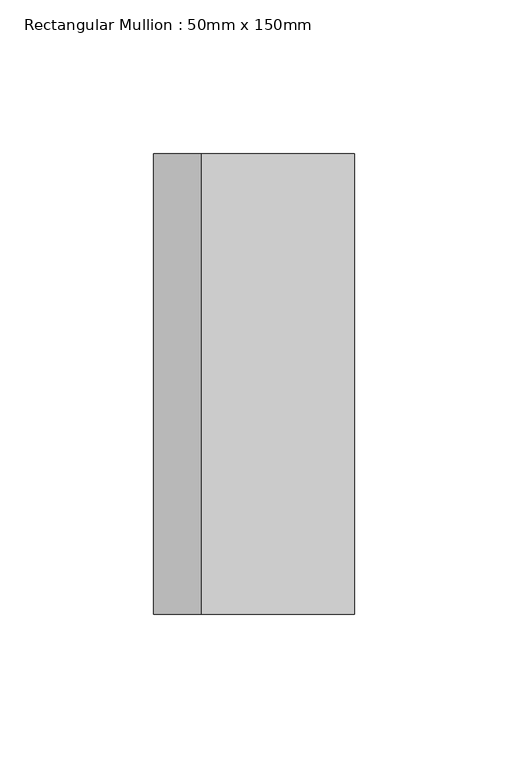
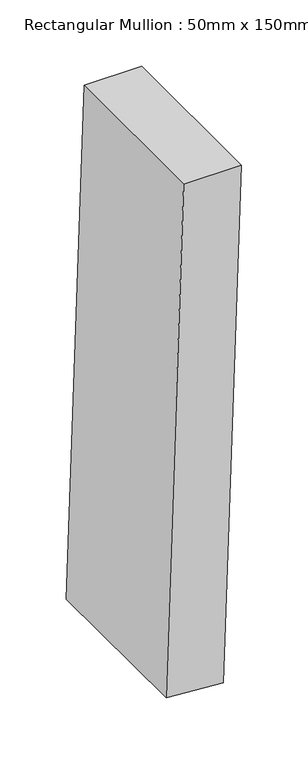
"""IFC4 building model written with IfcOpenShell, lengths in millimetres: member geometry, Rectangular Mullion : 50mm x 150mm."""

from ifc_helpers import new_model, si_unit, point, frame, frame_2d, origin, place, context, project, spatial, polyline, circle_curve, trimmed, segment, composite_curve, outline, extrude, source, transform, mapped, element, save


def rectangular_mullion_50mm_x_150mm_7bfbb4f7(model_context):
    return source(origin(), model_context, "Body", "SweptSolid", [
        extrude(outline(composite_curve([segment(trimmed(circle_curve(frame_2d((0.0, -7065.3700225)), 7065.3700225), [point((-469.87242, -15.6414133))], [point((0.0, 0.0))], False, "CARTESIAN"), True, "CONTINUOUS"), segment(polyline([(0.0, 0.0), (0.0, -50.0)]), True, "CONTINUOUS"), segment(trimmed(circle_curve(frame_2d((0.0, -7065.3700225)), 7015.3700225), [point((0.0, -50.0))], [point((-466.5472408, -65.5307226))], True, "CARTESIAN"), True, "CONTINUOUS"), segment(polyline([(-466.5472408, -65.5307226), (-469.87242, -15.6414133)]), True, "CONTINUOUS")], self_intersect=False)), frame((0.0, -75.0, 0.0), z_axis=(0.0, 1.0, 0.0), x_axis=(0.0, 0.0, 1.0)), (0.0, 0.0, 1.0), 150.0),
    ])


if __name__ == "__main__":
    model = new_model("IFC4")
    model_context = context("Model", 3, world=origin())
    ifc_project = project(units=[si_unit("LENGTHUNIT", "METRE", prefix="MILLI")], contexts=[model_context])
    site = spatial("IfcSite", under=ifc_project)
    building = spatial("IfcBuilding", under=site)
    placement = place(None, origin())
    rectangular_mullion_50mm_x_150mm_shape = rectangular_mullion_50mm_x_150mm_7bfbb4f7(model_context)
    element("IfcMember", 1, ObjectType="Rectangular Mullion : 50mm x 150mm", at=placement, inside=building, context=model_context, shape_type="MappedRepresentation", body=[
        mapped(rectangular_mullion_50mm_x_150mm_shape, transform((0.0, 0.0, 0.0), x_axis=(1.0, 0.0, 0.0), y_axis=(0.0, 1.0, 0.0), z_axis=(0.0, 0.0, 1.0))),
    ])
    save(model, "model.ifc")
